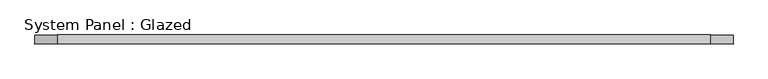
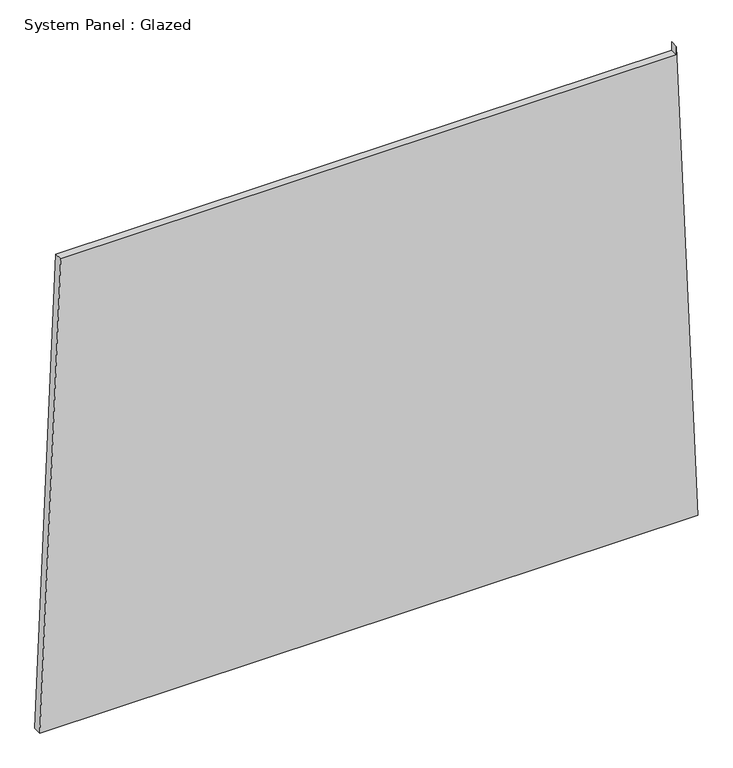
"""IFC4 building model written with IfcOpenShell, lengths in millimetres: plate geometry, System Panel : Glazed."""

from ifc_helpers import new_model, si_unit, frame, origin, place, context, project, spatial, polyline, outline, extrude, source, transform, mapped, element, save


def system_panel_glazed_d59d622e(model_context):
    return source(origin(), model_context, "Body", "SweptSolid", [
        extrude(outline(polyline([(0.0, -965.4868014), (0.0, 965.4868014), (1473.6580722, 903.1110248), (1448.6580722, 903.1110245), (1448.6580926, -904.169619), (0.0, -965.4868014)])), frame((0.0, -49.5, 0.0), z_axis=(0.0, 1.0, 0.0), x_axis=(0.0, 0.0, 1.0)), (0.0, 0.0, 1.0), 25.0),
    ])


if __name__ == "__main__":
    model = new_model("IFC4")
    model_context = context("Model", 3, world=origin())
    ifc_project = project(units=[si_unit("LENGTHUNIT", "METRE", prefix="MILLI")], contexts=[model_context])
    site = spatial("IfcSite", under=ifc_project)
    building = spatial("IfcBuilding", under=site)
    placement = place(None, origin())
    system_panel_glazed_shape = system_panel_glazed_d59d622e(model_context)
    element("IfcPlate", 1, ObjectType="System Panel : Glazed", at=placement, inside=building, context=model_context, shape_type="MappedRepresentation", body=[
        mapped(system_panel_glazed_shape, transform((0.0, 0.0, 0.0), x_axis=(1.0, 0.0, 0.0), y_axis=(0.0, 1.0, 0.0), z_axis=(0.0, 0.0, 1.0))),
    ])
    save(model, "model.ifc")
